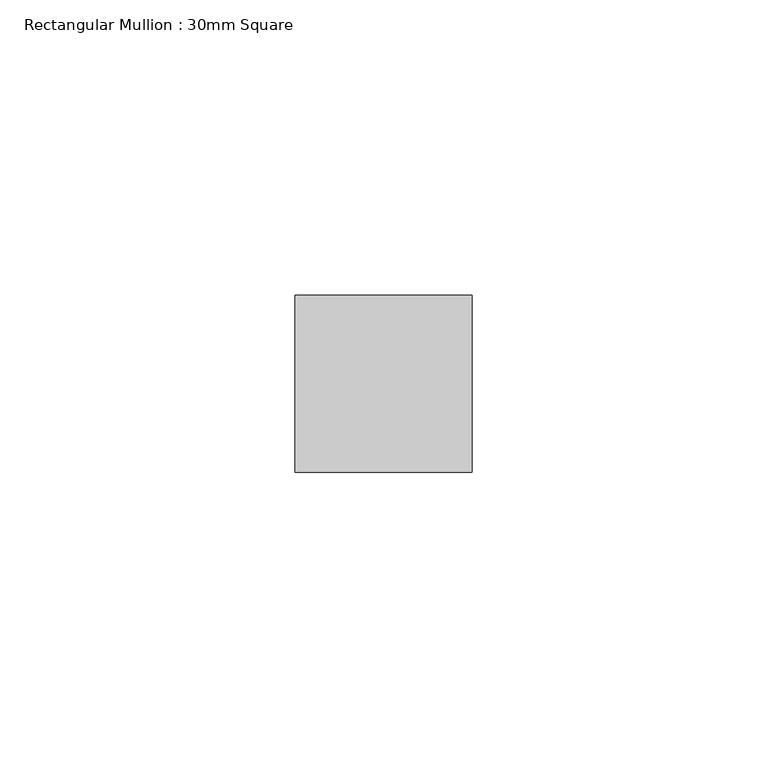
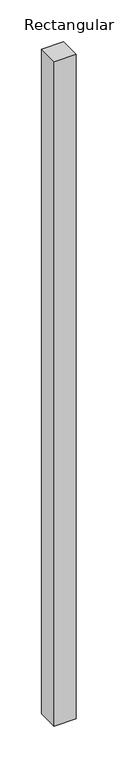
"""IFC4 building model written with IfcOpenShell, lengths in millimetres: member geometry, Rectangular Mullion : 30mm Square."""

from ifc_helpers import new_model, si_unit, frame, origin, place, context, project, spatial, polyline, outline, extrude, source, transform, mapped, element, save


def rectangular_mullion_30mm_square_baa4a8d8(model_context):
    return source(origin(), model_context, "Body", "SweptSolid", [
        extrude(outline(polyline([(15.0, 15.0), (15.0, -15.0), (-15.0, -15.0), (-15.0, 15.0), (15.0, 15.0)])), frame((0.0, 0.0, -968.5066633), z_axis=(0.0, 0.0, 1.0), x_axis=(1.0, 0.0, 0.0)), (0.0, 0.0, 1.0), 968.5066633),
    ])


if __name__ == "__main__":
    model = new_model("IFC4")
    model_context = context("Model", 3, world=origin())
    ifc_project = project(units=[si_unit("LENGTHUNIT", "METRE", prefix="MILLI")], contexts=[model_context])
    site = spatial("IfcSite", under=ifc_project)
    building = spatial("IfcBuilding", under=site)
    placement = place(None, origin())
    rectangular_mullion_30mm_square_shape = rectangular_mullion_30mm_square_baa4a8d8(model_context)
    element("IfcMember", 1, ObjectType="Rectangular Mullion : 30mm Square", at=placement, inside=building, context=model_context, shape_type="MappedRepresentation", body=[
        mapped(rectangular_mullion_30mm_square_shape, transform((0.0, 0.0, 0.0), x_axis=(1.0, 0.0, 0.0), y_axis=(0.0, 1.0, 0.0), z_axis=(0.0, 0.0, 1.0))),
    ])
    save(model, "model.ifc")
